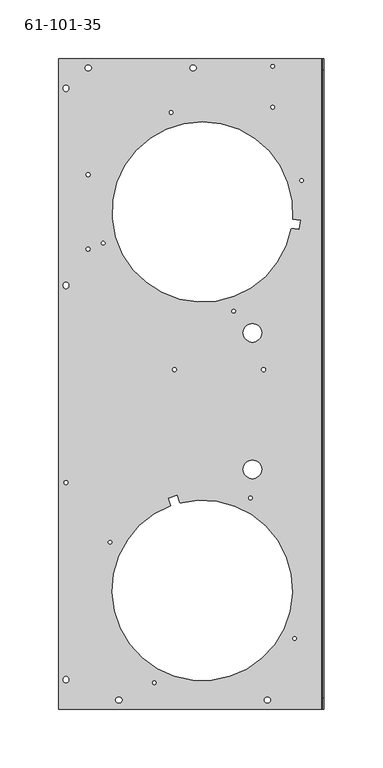
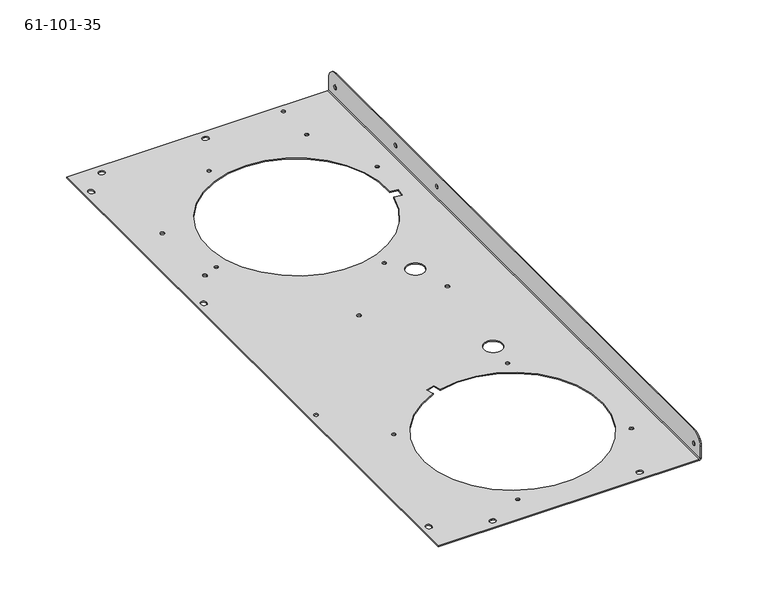
"""IFC4 building model written with IfcOpenShell, lengths in millimetres: proxy geometry, 61-101-35."""

from ifc_helpers import new_model, si_unit, frame, origin, place, context, project, spatial, polyline, circle_curve, source, transform, mapped, element, save
from ifc_brep_helpers import plane_surface, cylinder_surface, revolved_surface, advanced_brep


def proxy_61_101_35_94b694e4(model_context):
    return source(origin(), model_context, "Body", "AdvancedBrep", [
        advanced_brep(
        [(60.1740504, -72.8454234, 0.85344), (60.1740504, -72.8454234, 0.0), (44.2990504, -72.8454234, 0.0), (44.2990504, -72.8454234, 0.85344), (63.51651, 12.2760891, 0.85344), (63.51651, 12.2760891, 0.0), (60.08751, 12.2760891, 0.0), (60.08751, 12.2760891, 0.85344), (52.0591709, -97.2522416, 0.85344), (52.0591709, -97.2522416, 0.0), (49.0111709, -97.2522416, 0.0), (49.0111709, -97.2522416, 0.85344), (37.7053807, 62.1094071, 0.85344), (37.7053807, 62.1094071, 0.0), (34.6573807, 62.1094071, 0.0), (34.6573807, 62.1094071, 0.85344), (-67.8541084, -135.0308791, 0.85344), (-67.8541084, -135.0308791, 0.0), (-70.9021084, -135.0308791, 0.0), (-70.9021084, -135.0308791, 0.85344), (95.7833429, 173.6144307, 0.85344), (95.7833429, 173.6144307, 0.0), (92.7353429, 173.6144307, 0.0), (92.7353429, 173.6144307, 0.85344), (71.1496188, 271.1225, 0.85344), (71.1496188, 271.1225, 0.0), (68.1016188, 271.1225, 0.0), (68.1016188, 271.1225, 0.85344), (-86.50605, 115.1509, 0.85344), (-86.50605, 115.1509, 0.0), (-89.93505, 115.1509, 0.0), (-89.93505, 115.1509, 0.85344), (-86.50605, 178.6509, 0.85344), (-86.50605, 178.6509, 0.0), (-89.93505, 178.6509, 0.0), (-89.93505, 178.6509, 0.85344), (71.1496188, 236.1975, 0.85344), (71.1496188, 236.1975, 0.0), (68.1016188, 236.1975, 0.0), (68.1016188, 236.1975, 0.85344), (-73.7996429, 120.1873693, 0.85344), (-73.7996429, 120.1873693, 0.0), (-76.8476429, 120.1873693, 0.0), (-76.8476429, 120.1873693, 0.85344), (89.8378084, -217.1655209, 0.85344), (89.8378084, -217.1655209, 0.0), (86.7898084, -217.1655209, 0.0), (86.7898084, -217.1655209, 0.85344), (-15.7216807, 231.6923929, 0.85344), (-15.7216807, 231.6923929, 0.0), (-18.7696807, 231.6923929, 0.0), (-18.7696807, 231.6923929, 0.85344), (-30.0754709, -254.9441584, 0.85344), (-30.0754709, -254.9441584, 0.0), (-33.1234709, -254.9441584, 0.0), (-33.1234709, -254.9441584, 0.85344), (-12.71651, 12.2760891, 0.85344), (-12.71651, 12.2760891, 0.0), (-16.14551, 12.2760891, 0.0), (-16.14551, 12.2760891, 0.85344), (60.1740504, 43.6481234, 0.85344), (60.1740504, 43.6481234, 0.0), (44.2990504, 43.6481234, 0.0), (44.2990504, 43.6481234, 0.85344), (112.60201, -268.1732, 11.2395), (113.45545, -268.1732, 11.2395), (113.45545, -268.1732, 7.8105), (112.60201, -268.1732, 7.8105), (112.60201, 177.7456967, 12.94638), (113.45545, 177.7456967, 12.94638), (113.45545, 177.7456967, 9.51738), (112.60201, 177.7456967, 9.51738), (112.60201, 116.0472967, 12.94638), (113.45545, 116.0472967, 12.94638), (113.45545, 116.0472967, 9.51738), (112.60201, 116.0472967, 9.51738), (112.60201, 268.1732, 11.2395), (113.45545, 268.1732, 11.2395), (113.45545, 268.1732, 7.8105), (112.60201, 268.1732, 7.8105), (-108.81995, -84.0994, 0.85344), (-108.81995, -84.0994, 0.0), (-105.39095, -84.0994, 0.0), (-105.39095, -84.0994, 0.85344), (-104.76865, 83.7057, 0.0), (-109.44225, 83.7057, 0.0), (-109.44225, 83.7057, 0.85344), (-104.76865, 83.7057, 0.85344), (-109.44225, 84.4931, 0.0), (-109.44225, 84.4931, 0.85344), (-104.76865, 84.4931, 0.0), (-104.76865, 84.4931, 0.85344), (1.1938, 267.4239, 0.0), (1.1938, 272.0975, 0.0), (1.1938, 272.0975, 0.85344), (1.1938, 267.4239, 0.85344), (1.9812, 272.0975, 0.0), (1.9812, 272.0975, 0.85344), (1.9812, 267.4239, 0.0), (1.9812, 267.4239, 0.85344), (-62.3062, -272.0975, 0.0), (-62.3062, -267.4239, 0.0), (-62.3062, -267.4239, 0.85344), (-62.3062, -272.0975, 0.85344), (-61.5188, -267.4239, 0.0), (-61.5188, -267.4239, 0.85344), (-61.5188, -272.0975, 0.0), (-61.5188, -272.0975, 0.85344), (64.6938, -272.0975, 0.0), (64.6938, -267.4239, 0.0), (64.6938, -267.4239, 0.85344), (64.6938, -272.0975, 0.85344), (65.4812, -267.4239, 0.0), (65.4812, -267.4239, 0.85344), (65.4812, -272.0975, 0.0), (65.4812, -272.0975, 0.85344), (-88.44915, 267.4239, 0.0), (-88.44915, 272.0975, 0.0), (-88.44915, 272.0975, 0.85344), (-88.44915, 267.4239, 0.85344), (-87.66175, 272.0975, 0.0), (-87.66175, 272.0975, 0.85344), (-87.66175, 267.4239, 0.0), (-87.66175, 267.4239, 0.85344), (-104.76865, -252.6919, 0.0), (-109.44225, -252.6919, 0.0), (-109.44225, -252.6919, 0.85344), (-104.76865, -252.6919, 0.85344), (-109.44225, -251.9045, 0.0), (-109.44225, -251.9045, 0.85344), (-104.76865, -251.9045, 0.0), (-104.76865, -251.9045, 0.85344), (-109.44225, 252.6919, 0.0), (-104.76865, 252.6919, 0.0), (-104.76865, 252.6919, 0.85344), (-109.44225, 252.6919, 0.85344), (-104.76865, 251.9045, 0.0), (-104.76865, 251.9045, 0.85344), (-109.44225, 251.9045, 0.0), (-109.44225, 251.9045, 0.85344), (-9.9819316, -101.608162, 0.0), (-17.3255521, -103.9235967, 0.0), (-17.3255521, -103.9235967, 0.85344), (-9.9819316, -101.608162, 0.85344), (-19.4181415, -97.286751, 0.0), (-19.4181415, -97.286751, 0.85344), (-12.074521, -94.9713164, 0.0), (-12.074521, -94.9713164, 0.85344), (93.1014101, 139.7543882, 0.0), (92.0946284, 132.1204907, 0.0), (92.0946284, 132.1204907, 0.85344), (93.1014101, 139.7543882, 0.85344), (85.1954429, 133.0303764, 0.0), (85.1954429, 133.0303764, 0.85344), (86.2022246, 140.6642738, 0.0), (86.2022246, 140.6642738, 0.85344), (113.45545, -277.6982, 12.7), (113.45545, -268.1732, 22.225), (112.60201, -268.1732, 22.225), (112.60201, -277.6982, 12.7), (112.60201, -277.6982, 1.70688), (113.45545, -277.6982, 1.70688), (112.60201, 268.1732, 22.225), (112.60201, 277.6982, 12.7), (112.60201, 277.6982, 1.70688), (113.45545, 268.1732, 22.225), (113.45545, 277.6982, 12.7), (113.45545, 277.6982, 1.70688), (111.74857, -277.6982, 0.0), (111.74857, 277.6982, 0.0), (111.74857, -277.6982, 0.85344), (111.74857, 277.6982, 0.85344), (-113.45545, 277.6982, 0.0), (-113.45545, 277.6982, 0.85344), (-113.45545, -277.6982, 0.0), (-113.45545, -277.6982, 0.85344)],
        [
            (0, 1),
            (1, 2, circle_curve(frame((52.2365504, -72.8454234, 0.0), z_axis=(0.0, 0.0, -1.0), x_axis=(1.0, 0.0, 0.0)), 7.9375)),
            (2, 3),
            (3, 0, circle_curve(frame((52.2365504, -72.8454234, 0.85344), z_axis=(0.0, 0.0, 1.0), x_axis=(1.0, 0.0, 0.0)), 7.9375)),
            (4, 5),
            (5, 6, circle_curve(frame((61.80201, 12.2760891, 0.0), z_axis=(0.0, 0.0, -1.0), x_axis=(1.0, 0.0, 0.0)), 1.7145)),
            (6, 7),
            (7, 4, circle_curve(frame((61.80201, 12.2760891, 0.85344), z_axis=(0.0, 0.0, 1.0), x_axis=(1.0, 0.0, 0.0)), 1.7145)),
            (8, 9),
            (9, 10, circle_curve(frame((50.5351709, -97.2522416, 0.0), z_axis=(0.0, 0.0, -1.0), x_axis=(1.0, 0.0, 0.0)), 1.524)),
            (10, 11),
            (11, 8, circle_curve(frame((50.5351709, -97.2522416, 0.85344), z_axis=(0.0, 0.0, 1.0), x_axis=(1.0, 0.0, 0.0)), 1.524)),
            (12, 13),
            (13, 14, circle_curve(frame((36.1813807, 62.1094071, 0.0), z_axis=(0.0, 0.0, -1.0), x_axis=(1.0, 0.0, 0.0)), 1.524)),
            (14, 15),
            (15, 12, circle_curve(frame((36.1813807, 62.1094071, 0.85344), z_axis=(0.0, 0.0, 1.0), x_axis=(1.0, 0.0, 0.0)), 1.524)),
            (16, 17),
            (17, 18, circle_curve(frame((-69.3781084, -135.0308791, 0.0), z_axis=(0.0, 0.0, -1.0), x_axis=(1.0, 0.0, 0.0)), 1.524)),
            (18, 19),
            (19, 16, circle_curve(frame((-69.3781084, -135.0308791, 0.85344), z_axis=(0.0, 0.0, 1.0), x_axis=(1.0, 0.0, 0.0)), 1.524)),
            (20, 21),
            (21, 22, circle_curve(frame((94.2593429, 173.6144307, 0.0), z_axis=(0.0, 0.0, -1.0), x_axis=(1.0, 0.0, 0.0)), 1.524)),
            (22, 23),
            (23, 20, circle_curve(frame((94.2593429, 173.6144307, 0.85344), z_axis=(0.0, 0.0, 1.0), x_axis=(1.0, 0.0, 0.0)), 1.524)),
            (24, 25),
            (25, 26, circle_curve(frame((69.6256188, 271.1225, 0.0), z_axis=(0.0, 0.0, -1.0), x_axis=(1.0, 0.0, 0.0)), 1.524)),
            (26, 27),
            (27, 24, circle_curve(frame((69.6256188, 271.1225, 0.85344), z_axis=(0.0, 0.0, 1.0), x_axis=(1.0, 0.0, 0.0)), 1.524)),
            (28, 29),
            (29, 30, circle_curve(frame((-88.22055, 115.1509, 0.0), z_axis=(0.0, 0.0, -1.0), x_axis=(1.0, 0.0, 0.0)), 1.7145)),
            (30, 31),
            (31, 28, circle_curve(frame((-88.22055, 115.1509, 0.85344), z_axis=(0.0, 0.0, 1.0), x_axis=(1.0, 0.0, 0.0)), 1.7145)),
            (32, 33),
            (33, 34, circle_curve(frame((-88.22055, 178.6509, 0.0), z_axis=(0.0, 0.0, -1.0), x_axis=(1.0, 0.0, 0.0)), 1.7145)),
            (34, 35),
            (35, 32, circle_curve(frame((-88.22055, 178.6509, 0.85344), z_axis=(0.0, 0.0, 1.0), x_axis=(1.0, 0.0, 0.0)), 1.7145)),
            (36, 37),
            (37, 38, circle_curve(frame((69.6256188, 236.1975, 0.0), z_axis=(0.0, 0.0, -1.0), x_axis=(1.0, 0.0, 0.0)), 1.524)),
            (38, 39),
            (39, 36, circle_curve(frame((69.6256188, 236.1975, 0.85344), z_axis=(0.0, 0.0, 1.0), x_axis=(1.0, 0.0, 0.0)), 1.524)),
            (40, 41),
            (41, 42, circle_curve(frame((-75.3236429, 120.1873693, 0.0), z_axis=(0.0, 0.0, -1.0), x_axis=(1.0, 0.0, 0.0)), 1.524)),
            (42, 43),
            (43, 40, circle_curve(frame((-75.3236429, 120.1873693, 0.85344), z_axis=(0.0, 0.0, 1.0), x_axis=(1.0, 0.0, 0.0)), 1.524)),
            (44, 45),
            (45, 46, circle_curve(frame((88.3138084, -217.1655209, 0.0), z_axis=(0.0, 0.0, -1.0), x_axis=(1.0, 0.0, 0.0)), 1.524)),
            (46, 47),
            (47, 44, circle_curve(frame((88.3138084, -217.1655209, 0.85344), z_axis=(0.0, 0.0, 1.0), x_axis=(1.0, 0.0, 0.0)), 1.524)),
            (48, 49),
            (49, 50, circle_curve(frame((-17.2456807, 231.6923929, 0.0), z_axis=(0.0, 0.0, -1.0), x_axis=(1.0, 0.0, 0.0)), 1.524)),
            (50, 51),
            (51, 48, circle_curve(frame((-17.2456807, 231.6923929, 0.85344), z_axis=(0.0, 0.0, 1.0), x_axis=(1.0, 0.0, 0.0)), 1.524)),
            (52, 53),
            (53, 54, circle_curve(frame((-31.5994709, -254.9441584, 0.0), z_axis=(0.0, 0.0, -1.0), x_axis=(1.0, 0.0, 0.0)), 1.524)),
            (54, 55),
            (55, 52, circle_curve(frame((-31.5994709, -254.9441584, 0.85344), z_axis=(0.0, 0.0, 1.0), x_axis=(1.0, 0.0, 0.0)), 1.524)),
            (56, 57),
            (57, 58, circle_curve(frame((-14.43101, 12.2760891, 0.0), z_axis=(0.0, 0.0, -1.0), x_axis=(1.0, 0.0, 0.0)), 1.7145)),
            (58, 59),
            (59, 56, circle_curve(frame((-14.43101, 12.2760891, 0.85344), z_axis=(0.0, 0.0, 1.0), x_axis=(1.0, 0.0, 0.0)), 1.7145)),
            (60, 61),
            (61, 62, circle_curve(frame((52.2365504, 43.6481234, 0.0), z_axis=(0.0, 0.0, -1.0), x_axis=(1.0, 0.0, 0.0)), 7.9375)),
            (62, 63),
            (63, 60, circle_curve(frame((52.2365504, 43.6481234, 0.85344), z_axis=(0.0, 0.0, 1.0), x_axis=(1.0, 0.0, 0.0)), 7.9375)),
            (64, 65),
            (65, 66, circle_curve(frame((113.45545, -268.1732, 9.525), z_axis=(1.0, 0.0, 0.0), x_axis=(0.0, 0.0, 1.0)), 1.7145)),
            (66, 67),
            (67, 64, circle_curve(frame((112.60201, -268.1732, 9.525), z_axis=(-1.0, 0.0, 0.0), x_axis=(0.0, 0.0, 1.0)), 1.7145)),
            (68, 69),
            (69, 70, circle_curve(frame((113.45545, 177.7456967, 11.23188), z_axis=(1.0, 0.0, 0.0), x_axis=(0.0, 0.0, 1.0)), 1.7145)),
            (70, 71),
            (71, 68, circle_curve(frame((112.60201, 177.7456967, 11.23188), z_axis=(-1.0, 0.0, 0.0), x_axis=(0.0, 0.0, 1.0)), 1.7145)),
            (72, 73),
            (73, 74, circle_curve(frame((113.45545, 116.0472967, 11.23188), z_axis=(1.0, 0.0, 0.0), x_axis=(0.0, 0.0, 1.0)), 1.7145)),
            (74, 75),
            (75, 72, circle_curve(frame((112.60201, 116.0472967, 11.23188), z_axis=(-1.0, 0.0, 0.0), x_axis=(0.0, 0.0, 1.0)), 1.7145)),
            (76, 77),
            (77, 78, circle_curve(frame((113.45545, 268.1732, 9.525), z_axis=(1.0, 0.0, 0.0), x_axis=(0.0, 0.0, 1.0)), 1.7145)),
            (78, 79),
            (79, 76, circle_curve(frame((112.60201, 268.1732, 9.525), z_axis=(-1.0, 0.0, 0.0), x_axis=(0.0, 0.0, 1.0)), 1.7145)),
            (80, 81),
            (81, 82, circle_curve(frame((-107.10545, -84.0994, 0.0), z_axis=(0.0, 0.0, -1.0), x_axis=(-1.0, 0.0, 0.0)), 1.7145)),
            (82, 83),
            (83, 80, circle_curve(frame((-107.10545, -84.0994, 0.85344), z_axis=(0.0, 0.0, 1.0), x_axis=(-1.0, 0.0, 0.0)), 1.7145)),
            (84, 85, circle_curve(frame((-107.10545, 83.7057, 0.0), z_axis=(0.0, 0.0, -1.0), x_axis=(-1.0, 0.0, 0.0)), 2.3368)),
            (85, 86),
            (86, 87, circle_curve(frame((-107.10545, 83.7057, 0.85344), z_axis=(0.0, 0.0, 1.0), x_axis=(-1.0, 0.0, 0.0)), 2.3368)),
            (87, 84),
            (85, 88),
            (88, 89),
            (89, 86),
            (88, 90, circle_curve(frame((-107.10545, 84.4931, 0.0), z_axis=(0.0, 0.0, -1.0), x_axis=(1.0, 0.0, 0.0)), 2.3368)),
            (90, 91),
            (91, 89, circle_curve(frame((-107.10545, 84.4931, 0.85344), z_axis=(0.0, 0.0, 1.0), x_axis=(1.0, 0.0, 0.0)), 2.3368)),
            (90, 84),
            (87, 91),
            (92, 93, circle_curve(frame((1.1938, 269.7607, 0.0), z_axis=(0.0, 0.0, -1.0), x_axis=(-3.642919299551245e-12, 1.0, 0.0)), 2.3368)),
            (93, 94),
            (94, 95, circle_curve(frame((1.1938, 269.7607, 0.85344), z_axis=(0.0, 0.0, 1.0), x_axis=(-3.642919299551245e-12, 1.0, 0.0)), 2.3368)),
            (95, 92),
            (93, 96),
            (96, 97),
            (97, 94),
            (96, 98, circle_curve(frame((1.9812, 269.7607, 0.0), z_axis=(0.0, 0.0, -1.0), x_axis=(3.642859911551383e-12, -1.0, 0.0)), 2.3368)),
            (98, 99),
            (99, 97, circle_curve(frame((1.9812, 269.7607, 0.85344), z_axis=(0.0, 0.0, 1.0), x_axis=(3.642859911551383e-12, -1.0, 0.0)), 2.3368)),
            (98, 92),
            (95, 99),
            (100, 101, circle_curve(frame((-62.3062, -269.7607, 0.0), z_axis=(0.0, 0.0, -1.0), x_axis=(0.0, 1.0, 0.0)), 2.3368)),
            (101, 102),
            (102, 103, circle_curve(frame((-62.3062, -269.7607, 0.85344), z_axis=(0.0, 0.0, 1.0), x_axis=(0.0, 1.0, 0.0)), 2.3368)),
            (103, 100),
            (101, 104),
            (104, 105),
            (105, 102),
            (104, 106, circle_curve(frame((-61.5188, -269.7607, 0.0), z_axis=(0.0, 0.0, -1.0), x_axis=(0.0, -1.0, 0.0)), 2.3368)),
            (106, 107),
            (107, 105, circle_curve(frame((-61.5188, -269.7607, 0.85344), z_axis=(0.0, 0.0, 1.0), x_axis=(0.0, -1.0, 0.0)), 2.3368)),
            (106, 100),
            (103, 107),
            (108, 109, circle_curve(frame((64.6938, -269.7607, 0.0), z_axis=(0.0, 0.0, -1.0), x_axis=(0.0, 1.0, 0.0)), 2.3368)),
            (109, 110),
            (110, 111, circle_curve(frame((64.6938, -269.7607, 0.85344), z_axis=(0.0, 0.0, 1.0), x_axis=(0.0, 1.0, 0.0)), 2.3368)),
            (111, 108),
            (109, 112),
            (112, 113),
            (113, 110),
            (112, 114, circle_curve(frame((65.4812, -269.7607, 0.0), z_axis=(0.0, 0.0, -1.0), x_axis=(0.0, -1.0, 0.0)), 2.3368)),
            (114, 115),
            (115, 113, circle_curve(frame((65.4812, -269.7607, 0.85344), z_axis=(0.0, 0.0, 1.0), x_axis=(0.0, -1.0, 0.0)), 2.3368)),
            (114, 108),
            (111, 115),
            (116, 117, circle_curve(frame((-88.44915, 269.7607, 0.0), z_axis=(0.0, 0.0, -1.0), x_axis=(-1.7711877078922685e-12, 1.0, 0.0)), 2.3368)),
            (117, 118),
            (118, 119, circle_curve(frame((-88.44915, 269.7607, 0.85344), z_axis=(0.0, 0.0, 1.0), x_axis=(-1.7711877078922685e-12, 1.0, 0.0)), 2.3368)),
            (119, 116),
            (117, 120),
            (120, 121),
            (121, 118),
            (120, 122, circle_curve(frame((-87.66175, 269.7607, 0.0), z_axis=(0.0, 0.0, -1.0), x_axis=(1.763586043909898e-12, -1.0, 0.0)), 2.3368)),
            (122, 123),
            (123, 121, circle_curve(frame((-87.66175, 269.7607, 0.85344), z_axis=(0.0, 0.0, 1.0), x_axis=(1.763586043909898e-12, -1.0, 0.0)), 2.3368)),
            (122, 116),
            (119, 123),
            (124, 125, circle_curve(frame((-107.10545, -252.6919, 0.0), z_axis=(0.0, 0.0, -1.0), x_axis=(-1.0, 0.0, 0.0)), 2.3368)),
            (125, 126),
            (126, 127, circle_curve(frame((-107.10545, -252.6919, 0.85344), z_axis=(0.0, 0.0, 1.0), x_axis=(-1.0, 0.0, 0.0)), 2.3368)),
            (127, 124),
            (125, 128),
            (128, 129),
            (129, 126),
            (128, 130, circle_curve(frame((-107.10545, -251.9045, 0.0), z_axis=(0.0, 0.0, -1.0), x_axis=(1.0, 0.0, 0.0)), 2.3368)),
            (130, 131),
            (131, 129, circle_curve(frame((-107.10545, -251.9045, 0.85344), z_axis=(0.0, 0.0, 1.0), x_axis=(1.0, 0.0, 0.0)), 2.3368)),
            (130, 124),
            (127, 131),
            (132, 133, circle_curve(frame((-107.10545, 252.6919, 0.0), z_axis=(0.0, 0.0, -1.0), x_axis=(-1.0, 0.0, 0.0)), 2.3368)),
            (133, 134),
            (134, 135, circle_curve(frame((-107.10545, 252.6919, 0.85344), z_axis=(0.0, 0.0, 1.0), x_axis=(-1.0, 0.0, 0.0)), 2.3368)),
            (135, 132),
            (133, 136),
            (136, 137),
            (137, 134),
            (136, 138, circle_curve(frame((-107.10545, 251.9045, 0.0), z_axis=(0.0, 0.0, -1.0), x_axis=(1.0, 0.0, 0.0)), 2.3368)),
            (138, 139),
            (139, 137, circle_curve(frame((-107.10545, 251.9045, 0.85344), z_axis=(0.0, 0.0, 1.0), x_axis=(1.0, 0.0, 0.0)), 2.3368)),
            (138, 132),
            (135, 139),
            (80, 83, circle_curve(frame((-107.10545, -84.0994, 0.85344), z_axis=(0.0, 0.0, 1.0), x_axis=(-1.0, 0.0, 0.0)), 1.7145)),
            (82, 81, circle_curve(frame((-107.10545, -84.0994, 0.0), z_axis=(0.0, 0.0, -1.0), x_axis=(-1.0, 0.0, 0.0)), 1.7145)),
            (76, 79, circle_curve(frame((112.60201, 268.1732, 9.525), z_axis=(-1.0, 0.0, 0.0), x_axis=(0.0, 0.0, 1.0)), 1.7145)),
            (78, 77, circle_curve(frame((113.45545, 268.1732, 9.525), z_axis=(1.0, 0.0, 0.0), x_axis=(0.0, 0.0, 1.0)), 1.7145)),
            (72, 75, circle_curve(frame((112.60201, 116.0472967, 11.23188), z_axis=(-1.0, 0.0, 0.0), x_axis=(0.0, 0.0, 1.0)), 1.7145)),
            (74, 73, circle_curve(frame((113.45545, 116.0472967, 11.23188), z_axis=(1.0, 0.0, 0.0), x_axis=(0.0, 0.0, 1.0)), 1.7145)),
            (68, 71, circle_curve(frame((112.60201, 177.7456967, 11.23188), z_axis=(-1.0, 0.0, 0.0), x_axis=(0.0, 0.0, 1.0)), 1.7145)),
            (70, 69, circle_curve(frame((113.45545, 177.7456967, 11.23188), z_axis=(1.0, 0.0, 0.0), x_axis=(0.0, 0.0, 1.0)), 1.7145)),
            (64, 67, circle_curve(frame((112.60201, -268.1732, 9.525), z_axis=(-1.0, 0.0, 0.0), x_axis=(0.0, 0.0, 1.0)), 1.7145)),
            (66, 65, circle_curve(frame((113.45545, -268.1732, 9.525), z_axis=(1.0, 0.0, 0.0), x_axis=(0.0, 0.0, 1.0)), 1.7145)),
            (140, 141, circle_curve(frame((9.46785, -176.0982, 0.0), z_axis=(0.0, 0.0, -1.0), x_axis=(0.25263590688083987, -0.9675614184921264, 0.0)), 76.9874)),
            (141, 142),
            (142, 143, circle_curve(frame((9.46785, -176.0982, 0.85344), z_axis=(0.0, 0.0, 1.0), x_axis=(0.25263590688083987, -0.9675614184921264, 0.0)), 76.9874)),
            (143, 140),
            (141, 144),
            (144, 145),
            (145, 142),
            (144, 146),
            (146, 147),
            (147, 145),
            (146, 140),
            (143, 147),
            (60, 63, circle_curve(frame((52.2365504, 43.6481234, 0.85344), z_axis=(0.0, 0.0, 1.0), x_axis=(1.0, 0.0, 0.0)), 7.9375)),
            (62, 61, circle_curve(frame((52.2365504, 43.6481234, 0.0), z_axis=(0.0, 0.0, -1.0), x_axis=(1.0, 0.0, 0.0)), 7.9375)),
            (56, 59, circle_curve(frame((-14.43101, 12.2760891, 0.85344), z_axis=(0.0, 0.0, 1.0), x_axis=(1.0, 0.0, 0.0)), 1.7145)),
            (58, 57, circle_curve(frame((-14.43101, 12.2760891, 0.0), z_axis=(0.0, 0.0, -1.0), x_axis=(1.0, 0.0, 0.0)), 1.7145)),
            (52, 55, circle_curve(frame((-31.5994709, -254.9441584, 0.85344), z_axis=(0.0, 0.0, 1.0), x_axis=(1.0, 0.0, 0.0)), 1.524)),
            (54, 53, circle_curve(frame((-31.5994709, -254.9441584, 0.0), z_axis=(0.0, 0.0, -1.0), x_axis=(1.0, 0.0, 0.0)), 1.524)),
            (48, 51, circle_curve(frame((-17.2456807, 231.6923929, 0.85344), z_axis=(0.0, 0.0, 1.0), x_axis=(1.0, 0.0, 0.0)), 1.524)),
            (50, 49, circle_curve(frame((-17.2456807, 231.6923929, 0.0), z_axis=(0.0, 0.0, -1.0), x_axis=(1.0, 0.0, 0.0)), 1.524)),
            (44, 47, circle_curve(frame((88.3138084, -217.1655209, 0.85344), z_axis=(0.0, 0.0, 1.0), x_axis=(1.0, 0.0, 0.0)), 1.524)),
            (46, 45, circle_curve(frame((88.3138084, -217.1655209, 0.0), z_axis=(0.0, 0.0, -1.0), x_axis=(1.0, 0.0, 0.0)), 1.524)),
            (40, 43, circle_curve(frame((-75.3236429, 120.1873693, 0.85344), z_axis=(0.0, 0.0, 1.0), x_axis=(1.0, 0.0, 0.0)), 1.524)),
            (42, 41, circle_curve(frame((-75.3236429, 120.1873693, 0.0), z_axis=(0.0, 0.0, -1.0), x_axis=(1.0, 0.0, 0.0)), 1.524)),
            (36, 39, circle_curve(frame((69.6256188, 236.1975, 0.85344), z_axis=(0.0, 0.0, 1.0), x_axis=(1.0, 0.0, 0.0)), 1.524)),
            (38, 37, circle_curve(frame((69.6256188, 236.1975, 0.0), z_axis=(0.0, 0.0, -1.0), x_axis=(1.0, 0.0, 0.0)), 1.524)),
            (32, 35, circle_curve(frame((-88.22055, 178.6509, 0.85344), z_axis=(0.0, 0.0, 1.0), x_axis=(1.0, 0.0, 0.0)), 1.7145)),
            (34, 33, circle_curve(frame((-88.22055, 178.6509, 0.0), z_axis=(0.0, 0.0, -1.0), x_axis=(1.0, 0.0, 0.0)), 1.7145)),
            (28, 31, circle_curve(frame((-88.22055, 115.1509, 0.85344), z_axis=(0.0, 0.0, 1.0), x_axis=(1.0, 0.0, 0.0)), 1.7145)),
            (30, 29, circle_curve(frame((-88.22055, 115.1509, 0.0), z_axis=(0.0, 0.0, -1.0), x_axis=(1.0, 0.0, 0.0)), 1.7145)),
            (24, 27, circle_curve(frame((69.6256188, 271.1225, 0.85344), z_axis=(0.0, 0.0, 1.0), x_axis=(1.0, 0.0, 0.0)), 1.524)),
            (26, 25, circle_curve(frame((69.6256188, 271.1225, 0.0), z_axis=(0.0, 0.0, -1.0), x_axis=(1.0, 0.0, 0.0)), 1.524)),
            (20, 23, circle_curve(frame((94.2593429, 173.6144307, 0.85344), z_axis=(0.0, 0.0, 1.0), x_axis=(1.0, 0.0, 0.0)), 1.524)),
            (22, 21, circle_curve(frame((94.2593429, 173.6144307, 0.0), z_axis=(0.0, 0.0, -1.0), x_axis=(1.0, 0.0, 0.0)), 1.524)),
            (16, 19, circle_curve(frame((-69.3781084, -135.0308791, 0.85344), z_axis=(0.0, 0.0, 1.0), x_axis=(1.0, 0.0, 0.0)), 1.524)),
            (18, 17, circle_curve(frame((-69.3781084, -135.0308791, 0.0), z_axis=(0.0, 0.0, -1.0), x_axis=(1.0, 0.0, 0.0)), 1.524)),
            (12, 15, circle_curve(frame((36.1813807, 62.1094071, 0.85344), z_axis=(0.0, 0.0, 1.0), x_axis=(1.0, 0.0, 0.0)), 1.524)),
            (14, 13, circle_curve(frame((36.1813807, 62.1094071, 0.0), z_axis=(0.0, 0.0, -1.0), x_axis=(1.0, 0.0, 0.0)), 1.524)),
            (8, 11, circle_curve(frame((50.5351709, -97.2522416, 0.85344), z_axis=(0.0, 0.0, 1.0), x_axis=(1.0, 0.0, 0.0)), 1.524)),
            (10, 9, circle_curve(frame((50.5351709, -97.2522416, 0.0), z_axis=(0.0, 0.0, -1.0), x_axis=(1.0, 0.0, 0.0)), 1.524)),
            (4, 7, circle_curve(frame((61.80201, 12.2760891, 0.85344), z_axis=(0.0, 0.0, 1.0), x_axis=(1.0, 0.0, 0.0)), 1.7145)),
            (6, 5, circle_curve(frame((61.80201, 12.2760891, 0.0), z_axis=(0.0, 0.0, -1.0), x_axis=(1.0, 0.0, 0.0)), 1.7145)),
            (0, 3, circle_curve(frame((52.2365504, -72.8454234, 0.85344), z_axis=(0.0, 0.0, 1.0), x_axis=(1.0, 0.0, 0.0)), 7.9375)),
            (2, 1, circle_curve(frame((52.2365504, -72.8454234, 0.0), z_axis=(0.0, 0.0, -1.0), x_axis=(1.0, 0.0, 0.0)), 7.9375)),
            (148, 149),
            (149, 150),
            (150, 151),
            (151, 148),
            (149, 152),
            (152, 153),
            (153, 150),
            (152, 154, circle_curve(frame((9.46785, 146.9009, 0.0), z_axis=(0.0, 0.0, -1.0), x_axis=(-0.9836361916591496, 0.18016615236576713, 0.0)), 76.9874)),
            (154, 155),
            (155, 153, circle_curve(frame((9.46785, 146.9009, 0.85344), z_axis=(0.0, 0.0, 1.0), x_axis=(-0.9836361916591496, 0.18016615236576713, 0.0)), 76.9874)),
            (154, 148),
            (151, 155),
            (156, 157, circle_curve(frame((113.45545, -268.1732, 12.7), z_axis=(-1.0, 0.0, 0.0), x_axis=(0.0, -0.7071067811865477, 0.7071067811865474)), 9.525)),
            (157, 158),
            (158, 159, circle_curve(frame((112.60201, -268.1732, 12.7), z_axis=(1.0, 0.0, 0.0), x_axis=(0.0, -0.7071067811865477, 0.7071067811865474)), 9.525)),
            (159, 156),
            (159, 160),
            (160, 161),
            (161, 156),
            (158, 162),
            (162, 163, circle_curve(frame((112.60201, 268.1732, 12.7), z_axis=(-1.0, 0.0, 0.0), x_axis=(0.0, 0.707106781186502, 0.7071067811865931)), 9.525)),
            (163, 164),
            (164, 160),
            (165, 166, circle_curve(frame((113.45545, 268.1732, 12.7), z_axis=(-1.0, 0.0, 0.0), x_axis=(0.0, 0.707106781186502, 0.7071067811865931)), 9.525)),
            (166, 163),
            (162, 165),
            (166, 167),
            (167, 164),
            (167, 161),
            (161, 168, circle_curve(frame((111.74857, -277.6982, 1.70688), z_axis=(0.0, 1.0, 0.0), x_axis=(0.0, 0.0, -1.0)), 1.70688)),
            (168, 169),
            (169, 167, circle_curve(frame((111.74857, 277.6982, 1.70688), z_axis=(0.0, -1.0, 0.0), x_axis=(0.0, 0.0, -1.0)), 1.70688)),
            (160, 170, circle_curve(frame((111.74857, -277.6982, 1.70688), z_axis=(0.0, 1.0, 0.0), x_axis=(0.0, 0.0, -1.0)), 0.85344)),
            (170, 168),
            (169, 171),
            (171, 164, circle_curve(frame((111.74857, 277.6982, 1.70688), z_axis=(0.0, -1.0, 0.0), x_axis=(0.0, 0.0, -1.0)), 0.85344)),
            (157, 165),
            (171, 170),
            (169, 172),
            (172, 173),
            (173, 171),
            (168, 174),
            (174, 172),
            (175, 173),
            (174, 175),
            (170, 175),
        ],
        [
            revolved_surface(polyline([(60.1740504, -72.8454234, 0.85344), (60.1740504, -72.8454234, 0.0)]), (52.2365504, -72.8454234, 0.0), (0.0, 0.0, 1.0)),
            revolved_surface(polyline([(63.516510000000004, 12.2760891, 0.85344), (63.516510000000004, 12.2760891, 0.0)]), (61.80201, 12.2760891, 0.0), (0.0, 0.0, 1.0)),
            revolved_surface(polyline([(52.0591709, -97.2522416, 0.85344), (52.0591709, -97.2522416, 0.0)]), (50.5351709, -97.2522416, 0.0), (0.0, 0.0, 1.0)),
            revolved_surface(polyline([(37.7053807, 62.1094071, 0.85344), (37.7053807, 62.1094071, 0.0)]), (36.1813807, 62.1094071, 0.0), (0.0, 0.0, 1.0)),
            revolved_surface(polyline([(-67.8541084, -135.0308791, 0.85344), (-67.8541084, -135.0308791, 0.0)]), (-69.3781084, -135.0308791, 0.0), (0.0, 0.0, 1.0)),
            revolved_surface(polyline([(95.7833429, 173.6144307, 0.85344), (95.7833429, 173.6144307, 0.0)]), (94.2593429, 173.6144307, 0.0), (0.0, 0.0, 1.0)),
            revolved_surface(polyline([(71.1496188, 271.1225, 0.85344), (71.1496188, 271.1225, 0.0)]), (69.6256188, 271.1225, 0.0), (0.0, 0.0, 1.0)),
            revolved_surface(polyline([(-86.50605, 115.1509, 0.85344), (-86.50605, 115.1509, 0.0)]), (-88.22055, 115.1509, 0.0), (0.0, 0.0, 1.0)),
            revolved_surface(polyline([(-86.50605, 178.6509, 0.85344), (-86.50605, 178.6509, 0.0)]), (-88.22055, 178.6509, 0.0), (0.0, 0.0, 1.0)),
            revolved_surface(polyline([(71.1496188, 236.1975, 0.85344), (71.1496188, 236.1975, 0.0)]), (69.6256188, 236.1975, 0.0), (0.0, 0.0, 1.0)),
            revolved_surface(polyline([(-73.7996429, 120.1873693, 0.85344), (-73.7996429, 120.1873693, 0.0)]), (-75.3236429, 120.1873693, 0.0), (0.0, 0.0, 1.0)),
            revolved_surface(polyline([(89.8378084, -217.1655209, 0.85344), (89.8378084, -217.1655209, 0.0)]), (88.3138084, -217.1655209, 0.0), (0.0, 0.0, 1.0)),
            revolved_surface(polyline([(-15.7216807, 231.6923929, 0.85344), (-15.7216807, 231.6923929, 0.0)]), (-17.2456807, 231.6923929, 0.0), (0.0, 0.0, 1.0)),
            revolved_surface(polyline([(-30.0754709, -254.9441584, 0.85344), (-30.0754709, -254.9441584, 0.0)]), (-31.5994709, -254.9441584, 0.0), (0.0, 0.0, 1.0)),
            revolved_surface(polyline([(-12.716510000000001, 12.2760891, 0.85344), (-12.716510000000001, 12.2760891, 0.0)]), (-14.43101, 12.2760891, 0.0), (0.0, 0.0, 1.0)),
            revolved_surface(polyline([(60.1740504, 43.6481234, 0.85344), (60.1740504, 43.6481234, 0.0)]), (52.2365504, 43.6481234, 0.0), (0.0, 0.0, 1.0)),
            revolved_surface(polyline([(112.60201, -268.1732, 11.2395), (113.45545, -268.1732, 11.2395)]), (113.45545, -268.1732, 9.525), (-1.0, 0.0, 0.0)),
            revolved_surface(polyline([(112.60201, 177.7456967, 12.94638), (113.45545, 177.7456967, 12.94638)]), (113.45545, 177.7456967, 11.23188), (-1.0, 0.0, 0.0)),
            revolved_surface(polyline([(112.60201, 116.0472967, 12.94638), (113.45545, 116.0472967, 12.94638)]), (113.45545, 116.0472967, 11.23188), (-1.0, 0.0, 0.0)),
            revolved_surface(polyline([(112.60201, 268.1732, 11.2395), (113.45545, 268.1732, 11.2395)]), (113.45545, 268.1732, 9.525), (-1.0, 0.0, 0.0)),
            revolved_surface(polyline([(-108.81995, -84.0994, 0.0), (-108.81995, -84.0994, 0.8534399999999778)]), (-107.10545, -84.0994, 600.372941), (0.0, 0.0, -1.0)),
            revolved_surface(polyline([(-109.44225, 83.7057, 0.85344), (-109.44225, 83.7057, 0.0)]), (-107.10545, 83.7057, 0.0), (0.0, 0.0, 1.0)),
            plane_surface(frame((-109.44225, 84.4931, 0.0), z_axis=(1.0, 0.0, 0.0), x_axis=(0.0, -1.0, 0.0))),
            revolved_surface(polyline([(-104.76865000000001, 84.4931, 0.85344), (-104.76865000000001, 84.4931, 0.0)]), (-107.10545, 84.4931, 0.0), (0.0, 0.0, 1.0)),
            plane_surface(frame((-104.76865, 83.7057, 0.0), z_axis=(-1.0, 0.0, 0.0), x_axis=(0.0, 1.0, 0.0))),
            revolved_surface(polyline([(1.1937999999914872, 272.09749999999997, 0.85344), (1.1937999999914872, 272.09749999999997, 0.0)]), (1.1938, 269.7607, 0.0), (0.0, 0.0, 1.0)),
            plane_surface(frame((1.9812, 272.0975, 0.0), z_axis=(3.744922978669566e-12, -1.0, 0.0), x_axis=(-1.0, -3.744922978669566e-12, 0.0))),
            revolved_surface(polyline([(1.9812000000085126, 267.4239, 0.85344), (1.9812000000085126, 267.4239, 0.0)]), (1.9812, 269.7607, 0.0), (0.0, 0.0, 1.0)),
            plane_surface(frame((1.1938, 267.4239, 0.0), z_axis=(-3.6998034247096915e-12, 1.0, 0.0), x_axis=(1.0, 3.6998034247096915e-12, 0.0))),
            revolved_surface(polyline([(-62.3062, -267.4239, 0.85344), (-62.3062, -267.4239, 0.0)]), (-62.3062, -269.7607, 0.0), (0.0, 0.0, 1.0)),
            plane_surface(frame((-61.5188, -267.4239, 0.0), z_axis=(0.0, -1.0, 0.0), x_axis=(-1.0, 0.0, 0.0))),
            revolved_surface(polyline([(-61.5188, -272.09749999999997, 0.85344), (-61.5188, -272.09749999999997, 0.0)]), (-61.5188, -269.7607, 0.0), (0.0, 0.0, 1.0)),
            plane_surface(frame((-62.3062, -272.0975, 0.0), z_axis=(0.0, 1.0, 0.0), x_axis=(1.0, 0.0, 0.0))),
            revolved_surface(polyline([(64.6938, -267.4239, 0.85344), (64.6938, -267.4239, 0.0)]), (64.6938, -269.7607, 0.0), (0.0, 0.0, 1.0)),
            plane_surface(frame((65.4812, -267.4239, 0.0), z_axis=(0.0, -1.0, 0.0), x_axis=(-1.0, 0.0, 0.0))),
            revolved_surface(polyline([(65.4812, -272.09749999999997, 0.85344), (65.4812, -272.09749999999997, 0.0)]), (65.4812, -269.7607, 0.0), (0.0, 0.0, 1.0)),
            plane_surface(frame((64.6938, -272.0975, 0.0), z_axis=(0.0, 1.0, 0.0), x_axis=(1.0, 0.0, 0.0))),
            revolved_surface(polyline([(-88.44915000000414, 272.09749999999997, 0.85344), (-88.44915000000414, 272.09749999999997, 0.0)]), (-88.44915, 269.7607, 0.0), (0.0, 0.0, 1.0)),
            plane_surface(frame((-87.66175, 272.0975, 0.0), z_axis=(1.714543050475188e-12, -1.0, 0.0), x_axis=(-1.0, -1.714543050475188e-12, 0.0))),
            revolved_surface(polyline([(-87.66174999999588, 267.4239, 0.85344), (-87.66174999999588, 267.4239, 0.0)]), (-87.66175, 269.7607, 0.0), (0.0, 0.0, 1.0)),
            plane_surface(frame((-88.44915, 267.4239, 0.0), z_axis=(-1.714543050475227e-12, 1.0, 0.0), x_axis=(1.0, 1.714543050475227e-12, 0.0))),
            revolved_surface(polyline([(-109.44225, -252.6919, 0.85344), (-109.44225, -252.6919, 0.0)]), (-107.10545, -252.6919, 0.0), (0.0, 0.0, 1.0)),
            plane_surface(frame((-109.44225, -251.9045, 0.0), z_axis=(1.0, 0.0, 0.0), x_axis=(0.0, -1.0, 0.0))),
            revolved_surface(polyline([(-104.76865000000001, -251.9045, 0.85344), (-104.76865000000001, -251.9045, 0.0)]), (-107.10545, -251.9045, 0.0), (0.0, 0.0, 1.0)),
            plane_surface(frame((-104.76865, -252.6919, 0.0), z_axis=(-1.0, 0.0, 0.0), x_axis=(0.0, 1.0, 0.0))),
            revolved_surface(polyline([(-109.44225, 252.6919, 0.85344), (-109.44225, 252.6919, 0.0)]), (-107.10545, 252.6919, 0.0), (0.0, 0.0, 1.0)),
            plane_surface(frame((-104.76865, 251.9045, 0.0), z_axis=(-1.0, 0.0, 0.0), x_axis=(0.0, 1.0, 0.0))),
            revolved_surface(polyline([(-104.76865000000001, 251.9045, 0.85344), (-104.76865000000001, 251.9045, 0.0)]), (-107.10545, 251.9045, 0.0), (0.0, 0.0, 1.0)),
            plane_surface(frame((-109.44225, 252.6919, 0.0), z_axis=(1.0, 0.0, 0.0), x_axis=(0.0, -1.0, 0.0))),
            revolved_surface(polyline([(28.917631617397973, -250.5882379500207, 0.8534400000000004), (28.917631617397973, -250.5882379500207, 0.0)]), (9.46785, -176.0982, 0.0), (0.0, 0.0, 1.0000000000000002)),
            plane_surface(frame((-19.4181415, -97.286751, 0.0), z_axis=(0.9537169507482831, 0.3007057995040953, 0.0), x_axis=(0.3007057995040953, -0.9537169507482831, 0.0))),
            plane_surface(frame((-12.074521, -94.9713164, 0.0), z_axis=(0.30070579950427295, -0.953716950748227, 0.0), x_axis=(-0.953716950748227, -0.30070579950427295, 0.0))),
            plane_surface(frame((-9.9819316, -101.608162, 0.0), z_axis=(-0.9537169507481964, -0.30070579950436993, 0.0), x_axis=(-0.30070579950436993, 0.9537169507481964, 0.0))),
            plane_surface(frame((92.0946284, 132.1204907, 0.0), z_axis=(-0.9914152559383903, 0.13075087109696898, 0.0), x_axis=(0.13075087109696898, 0.9914152559383903, 0.0))),
            plane_surface(frame((85.1954429, 133.0303764, 0.0), z_axis=(0.13075087109694036, 0.991415255938394, 0.0), x_axis=(0.991415255938394, -0.13075087109694036, 0.0))),
            revolved_surface(polyline([(-66.25974294173962, 160.77142363864428, 0.85344), (-66.25974294173962, 160.77142363864428, 0.0)]), (9.46785, 146.9009, 0.0), (0.0, 0.0, 1.0)),
            plane_surface(frame((93.1014101, 139.7543882, 0.0), z_axis=(-0.1307508710969523, -0.9914152559383925, 0.0), x_axis=(-0.9914152559383925, 0.1307508710969523, 0.0))),
            cylinder_surface(frame((112.60201, -268.1732, 12.7), z_axis=(1.0, 0.0, 0.0), x_axis=(0.0, -0.7071067811865477, 0.7071067811865474)), 9.525),
            plane_surface(frame((112.60201, -277.6982, 1.70688), z_axis=(0.0, -1.0, 0.0), x_axis=(1.0, 0.0, 0.0))),
            plane_surface(frame((112.60201, 0.0, 11.0007221), z_axis=(-1.0, 0.0, 0.0), x_axis=(0.0, 0.0, 1.0))),
            cylinder_surface(frame((112.60201, 268.1732, 12.7), z_axis=(1.0, 0.0, 0.0), x_axis=(0.0, 0.707106781186502, 0.7071067811865931)), 9.525),
            plane_surface(frame((112.60201, 277.6982, 1.70688), z_axis=(0.0, 1.0, 0.0), x_axis=(-1.0, 0.0, 0.0))),
            cylinder_surface(frame((111.74857, 0.0, 1.70688), z_axis=(0.0, -1.0, 0.0), x_axis=(0.0, 0.0, -1.0)), 1.70688),
            plane_surface(frame((112.60201, -277.6982, 1.70688), z_axis=(0.0, -1.0, 0.0), x_axis=(0.0, 0.0, -1.0))),
            plane_surface(frame((113.45545, 277.6982, 1.70688), z_axis=(0.0, 1.0, 0.0), x_axis=(0.0, 0.0, 1.0))),
            plane_surface(frame((112.60201, -277.6982, 22.225), z_axis=(0.0, 0.0, 1.0), x_axis=(1.0, 0.0, 0.0))),
            plane_surface(frame((113.45545, 0.0, 11.0007221), z_axis=(1.0, 0.0, 0.0), x_axis=(0.0, 0.0, 1.0))),
            revolved_surface(polyline([(111.74857, -277.6982, 0.85344), (111.74857, 277.6982, 0.85344)]), (111.74857, 0.0, 1.70688), (0.0, -1.0, 0.0)),
            plane_surface(frame((-113.45545, 277.6982, 0.0), z_axis=(0.0, 1.0, 0.0), x_axis=(0.0, 0.0, 1.0))),
            plane_surface(frame((0.0, 0.0, 0.0), z_axis=(0.0, 0.0, -1.0), x_axis=(1.0, 0.0, 0.0))),
            plane_surface(frame((-113.45545, -277.6982, 0.0), z_axis=(-1.0, 0.0, 0.0), x_axis=(0.0, 0.0, 1.0))),
            plane_surface(frame((113.45545, -277.6982, 0.0), z_axis=(0.0, -1.0, 0.0), x_axis=(0.0, 0.0, -1.0))),
            plane_surface(frame((0.0, 0.0, 0.85344), z_axis=(0.0, 0.0, 1.0), x_axis=(1.0, 0.0, 0.0))),
        ],
        [
            (0, [[1, 2, 3, 4]]),
            (1, [[5, 6, 7, 8]]),
            (2, [[9, 10, 11, 12]]),
            (3, [[13, 14, 15, 16]]),
            (4, [[17, 18, 19, 20]]),
            (5, [[21, 22, 23, 24]]),
            (6, [[25, 26, 27, 28]]),
            (7, [[29, 30, 31, 32]]),
            (8, [[33, 34, 35, 36]]),
            (9, [[37, 38, 39, 40]]),
            (10, [[41, 42, 43, 44]]),
            (11, [[45, 46, 47, 48]]),
            (12, [[49, 50, 51, 52]]),
            (13, [[53, 54, 55, 56]]),
            (14, [[57, 58, 59, 60]]),
            (15, [[61, 62, 63, 64]]),
            (16, [[65, 66, 67, 68]]),
            (17, [[69, 70, 71, 72]]),
            (18, [[73, 74, 75, 76]]),
            (19, [[77, 78, 79, 80]]),
            (20, [[81, 82, 83, 84]]),
            (21, [[85, 86, 87, 88]]),
            (22, [[89, 90, 91, -86]]),
            (23, [[92, 93, 94, -90]]),
            (24, [[95, -88, 96, -93]]),
            (25, [[97, 98, 99, 100]]),
            (26, [[101, 102, 103, -98]]),
            (27, [[104, 105, 106, -102]]),
            (28, [[107, -100, 108, -105]]),
            (29, [[109, 110, 111, 112]]),
            (30, [[113, 114, 115, -110]]),
            (31, [[116, 117, 118, -114]]),
            (32, [[119, -112, 120, -117]]),
            (33, [[121, 122, 123, 124]]),
            (34, [[125, 126, 127, -122]]),
            (35, [[128, 129, 130, -126]]),
            (36, [[131, -124, 132, -129]]),
            (37, [[133, 134, 135, 136]]),
            (38, [[137, 138, 139, -134]]),
            (39, [[140, 141, 142, -138]]),
            (40, [[143, -136, 144, -141]]),
            (41, [[145, 146, 147, 148]]),
            (42, [[149, 150, 151, -146]]),
            (43, [[152, 153, 154, -150]]),
            (44, [[155, -148, 156, -153]]),
            (45, [[157, 158, 159, 160]]),
            (46, [[161, 162, 163, -158]]),
            (47, [[164, 165, 166, -162]]),
            (48, [[167, -160, 168, -165]]),
            (20, [[-81, 169, -83, 170]]),
            (19, [[-77, 171, -79, 172]]),
            (18, [[-73, 173, -75, 174]]),
            (17, [[-69, 175, -71, 176]]),
            (16, [[-65, 177, -67, 178]]),
            (49, [[179, 180, 181, 182]]),
            (50, [[183, 184, 185, -180]]),
            (51, [[186, 187, 188, -184]]),
            (52, [[189, -182, 190, -187]]),
            (15, [[-61, 191, -63, 192]]),
            (14, [[-57, 193, -59, 194]]),
            (13, [[-53, 195, -55, 196]]),
            (12, [[-49, 197, -51, 198]]),
            (11, [[-45, 199, -47, 200]]),
            (10, [[-41, 201, -43, 202]]),
            (9, [[-37, 203, -39, 204]]),
            (8, [[-33, 205, -35, 206]]),
            (7, [[-29, 207, -31, 208]]),
            (6, [[-25, 209, -27, 210]]),
            (5, [[-21, 211, -23, 212]]),
            (4, [[-17, 213, -19, 214]]),
            (3, [[-13, 215, -15, 216]]),
            (2, [[-9, 217, -11, 218]]),
            (1, [[-5, 219, -7, 220]]),
            (0, [[-1, 221, -3, 222]]),
            (53, [[223, 224, 225, 226]]),
            (54, [[227, 228, 229, -224]]),
            (55, [[230, 231, 232, -228]]),
            (56, [[233, -226, 234, -231]]),
            (57, [[235, 236, 237, 238]]),
            (58, [[-238, 239, 240, 241]]),
            (59, [[-237, 242, 243, 244, 245, -239], [-171, -80], [-173, -76], [-175, -72], [-177, -68]]),
            (60, [[246, 247, -243, 248]]),
            (61, [[-247, 249, 250, -244]]),
            (62, [[251, 252, 253, 254]]),
            (63, [[-240, 255, 256, -252]]),
            (64, [[-250, -254, 257, 258]]),
            (65, [[-236, 259, -248, -242]]),
            (66, [[-235, -241, -251, -249, -246, -259], [-66, -178], [-70, -176], [-74, -174], [-78, -172]]),
            (67, [[-245, -258, 260, -255]]),
            (68, [[-257, 261, 262, 263]]),
            (69, [[-253, 264, 265, -261], [-2, -222], [-6, -220], [-10, -218], [-14, -216], [-18, -214], [-22, -212], [-26, -210], [-30, -208], [-34, -206], [-38, -204], [-42, -202], [-46, -200], [-50, -198], [-54, -196], [-58, -194], [-62, -192], [-85, -95, -92, -89], [-97, -107, -104, -101], [-109, -119, -116, -113], [-121, -131, -128, -125], [-133, -143, -140, -137], [-145, -155, -152, -149], [-157, -167, -164, -161], [-170, -82], [-179, -189, -186, -183], [-223, -233, -230, -227]]),
            (70, [[266, -262, -265, 267]]),
            (71, [[-256, 268, -267, -264]]),
            (72, [[-260, -263, -266, -268], [-87, -91, -94, -96], [-99, -103, -106, -108], [-111, -115, -118, -120], [-123, -127, -130, -132], [-135, -139, -142, -144], [-147, -151, -154, -156], [-159, -163, -166, -168], [-169, -84], [-181, -185, -188, -190], [-191, -64], [-193, -60], [-195, -56], [-197, -52], [-199, -48], [-201, -44], [-203, -40], [-205, -36], [-207, -32], [-209, -28], [-211, -24], [-213, -20], [-215, -16], [-217, -12], [-219, -8], [-221, -4], [-225, -229, -232, -234]]),
        ],
    ),
    ])


if __name__ == "__main__":
    model = new_model("IFC4")
    model_context = context("Model", 3, world=origin())
    ifc_project = project(units=[si_unit("LENGTHUNIT", "METRE", prefix="MILLI")], contexts=[model_context])
    site = spatial("IfcSite", under=ifc_project)
    building = spatial("IfcBuilding", under=site)
    placement = place(None, origin())
    proxy_61_101_35_shape = proxy_61_101_35_94b694e4(model_context)
    element("IfcBuildingElementProxy", 1, Name="61-101-35", ObjectType="61-101-35", at=placement, inside=building, context=model_context, shape_type="MappedRepresentation", body=[
        mapped(proxy_61_101_35_shape, transform((0.0, 0.0, 0.0), x_axis=(1.0, 0.0, 0.0), y_axis=(0.0, 1.0, 0.0), z_axis=(0.0, 0.0, 1.0))),
    ])
    save(model, "model.ifc")
